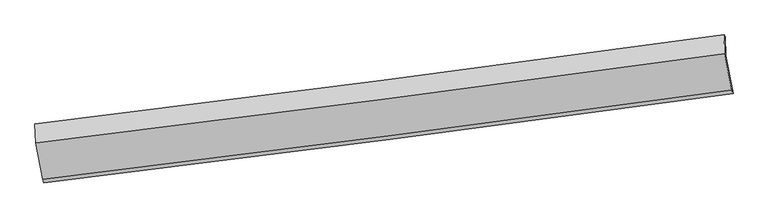
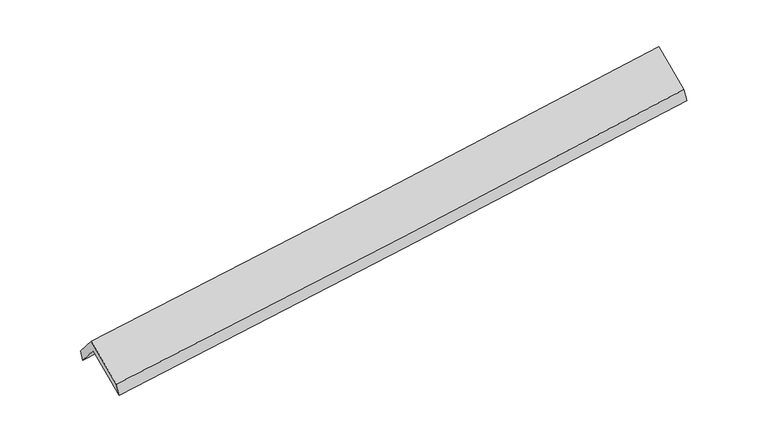
"""IFC4 building model written with IfcOpenShell, lengths in millimetres: proxy geometry."""

from ifc_helpers import new_model, si_unit, frame, origin, place, context, project, spatial, source, transform, mapped, element, save
from ifc_brep_helpers import plane_surface, spline_curve, spline_surface, advanced_brep


def generic_models_9a69a508(model_context):
    return source(origin(), model_context, "Body", "AdvancedBrep", [
        advanced_brep(
        [(-4744.9565777, -2186.1382355, 1769.3155847), (-4755.1188648, -1927.3102367, 1461.3969624), (4664.6802719, -703.8398961, 2205.0650812), (4674.842559, -962.6678949, 2512.9837035), (-4768.9387339, -1903.4933223, 1604.2765568), (4650.8604028, -680.0229817, 2347.9446755), (-4758.8357235, -2160.8115759, 1910.3990879), (4660.9634131, -937.3412353, 2654.0672067), (-4662.2458583, -2662.5063254, 1485.500389), (4757.5532784, -1439.0359848, 2229.1685078), (-4644.9350633, -2705.6572191, 1329.3210654), (4774.8640734, -1482.1868785, 2072.9891841)],
        [
            (0, 1),
            (1, 2, spline_curve(3, [(-4755.1188648, -1927.3102367, 1461.3969624), (-3179.066730884, -1734.700851849, 1584.364489501), (-1603.840815383, -1536.135310018, 1707.99765011), (1536.082941278, -1128.244896721, 1955.894506765), (3100.790070916, -918.986992113, 2080.150719135), (4664.6802719, -703.8398961, 2205.0650812)], [4, 2, 4], [0.0, 15.67421387194529, 31.26006475734462])),
            (2, 3),
            (3, 0, spline_curve(3, [(4674.842559, -962.6678949, 2512.9837035), (3110.952358016, -1177.814990913, 2388.069341435), (1546.245228278, -1387.072895621, 2263.813129065), (-1593.678528383, -1794.963308918, 2015.91627241), (-3168.904443784, -1993.528850649, 1892.283111801), (-4744.9565777, -2186.1382355, 1769.3155847)], [4, 2, 4], [0.0, 15.58585088539933, 31.26006475734462])),
            (1, 4),
            (4, 5, spline_curve(3, [(-4768.9387339, -1903.4933223, 1604.2765568), (-3192.886599984, -1710.883937449, 1727.244083901), (-1617.660684583, -1512.318395618, 1850.87724451), (1522.263072078, -1104.427982321, 2098.774101165), (3086.970201816, -895.170077713, 2223.030313435), (4650.8604028, -680.0229817, 2347.9446755)], [4, 2, 4], [0.0, 15.674213871945305, 31.26006475734465])),
            (5, 2),
            (4, 6),
            (6, 7, spline_curve(3, [(-4758.8357235, -2160.8115759, 1910.3990879), (-3182.783589584, -1968.202191049, 2033.366615001), (-1607.557674183, -1769.636649218, 2156.99977561), (1532.366082478, -1361.746235921, 2404.896632265), (3097.073212116, -1152.488331313, 2529.152844635), (4660.9634131, -937.3412353, 2654.0672067)], [4, 2, 4], [0.0, 15.674213871945302, 31.260064757344644])),
            (7, 5),
            (6, 8),
            (8, 9, spline_curve(3, [(-4662.2458583, -2662.5063254, 1485.500389), (-3086.193724384, -2469.896940549, 1608.467916101), (-1510.967808883, -2271.331398718, 1732.10107681), (1628.955947778, -1863.440985421, 1979.997933465), (3193.663077416, -1654.183080813, 2104.254145735), (4757.5532784, -1439.0359848, 2229.1685078)], [4, 2, 4], [0.0, 15.674213871945295, 31.26006475734463])),
            (9, 7),
            (8, 10),
            (10, 11, spline_curve(3, [(-4644.9350633, -2705.6572191, 1329.3210654), (-3068.882929384, -2513.047834249, 1452.288592501), (-1493.657013883, -2314.482292518, 1575.92175311), (1646.266742778, -1906.591879221, 1823.818609765), (3210.973872416, -1697.333974513, 1948.074822035), (4774.8640734, -1482.1868785, 2072.9891841)], [4, 2, 4], [0.0, 15.674213871945284, 31.260064757344608])),
            (11, 9),
            (10, 0),
            (3, 11),
        ],
        [
            spline_surface(3, 3, [[(-4744.9565777, -2186.1382355, 1769.3155847), (-3168.904443811, -1993.528850786, 1892.2831118), (-1593.678528177, -1794.963308745, 2015.91627236), (1546.245228073, -1387.072895793, 2263.813129114), (3110.952358018, -1177.814990976, 2388.069341504), (4674.842559, -962.6678949, 2512.9837035)], [(-4748.34400672, -2099.862235884, 1666.676043927), (-3172.29187283, -1907.25285117, 1789.643571027), (-1597.065957196, -1708.687309129, 1913.276731587), (1542.857799054, -1300.796896177, 2161.173588341), (3107.564928998, -1091.53899136, 2285.429800731), (4671.45512998, -876.391895284, 2410.344162727)], [(-4751.73143578, -2013.586236316, 1564.036503173), (-3175.679301891, -1820.976851602, 1687.004030272), (-1600.453386157, -1622.411309461, 1810.637190833), (1539.470370093, -1214.520896509, 2058.534047587), (3104.177499938, -1005.262991792, 2182.790259977), (4668.06770092, -790.115895716, 2307.704621973)], [(-4755.1188648, -1927.3102367, 1461.3969624), (-3179.066730911, -1734.700851986, 1584.3644895), (-1603.840815177, -1536.135309845, 1707.99765006), (1536.082941073, -1128.244896893, 1955.894506814), (3100.790070918, -918.986992176, 2080.150719204), (4664.6802719, -703.8398961, 2205.0650812)]], [4, 4], [4, 2, 4], [0.0, 1.3201419868546536], [0.0, 15.67421387194529, 31.26006475734462]),
            spline_surface(3, 3, [[(-4755.1188648, -1927.3102367, 1461.3969624), (-3179.066730911, -1734.700851986, 1584.3644895), (-1603.840815177, -1536.135309845, 1707.99765006), (1536.082941073, -1128.244896893, 1955.894506814), (3100.790070918, -918.986992176, 2080.150719204), (4664.6802719, -703.8398961, 2205.0650812)], [(-4759.725487852, -1919.37126524, 1509.023493854), (-3183.673353962, -1726.761880526, 1631.991020953), (-1608.447438228, -1528.196338385, 1755.624181514), (1531.476318022, -1120.305925433, 2003.521038268), (3096.183447867, -911.048020715, 2127.777250658), (4660.073648848, -695.90092464, 2252.691612654)], [(-4764.332110848, -1911.43229376, 1556.650025346), (-3188.279976959, -1718.822909047, 1679.617552446), (-1613.054061325, -1520.257366905, 1803.250713007), (1526.869694925, -1112.366953953, 2051.147569761), (3091.57682487, -903.109049236, 2175.403782051), (4655.467025852, -687.96195316, 2300.318144046)], [(-4768.9387339, -1903.4933223, 1604.2765568), (-3192.886600011, -1710.883937586, 1727.2440839), (-1617.660684377, -1512.318395445, 1850.87724446), (1522.263071873, -1104.427982493, 2098.774101214), (3086.970201818, -895.170077776, 2223.030313504), (4650.8604028, -680.0229817, 2347.9446755)]], [4, 4], [4, 2, 4], [0.0, 0.4773910964226978], [0.0, 15.674213871945305, 31.26006475734465]),
            spline_surface(3, 3, [[(-4768.9387339, -1903.4933223, 1604.2765568), (-3192.886600011, -1710.883937586, 1727.2440839), (-1617.660684377, -1512.318395445, 1850.87724446), (1522.263071873, -1104.427982493, 2098.774101214), (3086.970201818, -895.170077776, 2223.030313504), (4650.8604028, -680.0229817, 2347.9446755)], [(-4765.571063774, -1989.266073498, 1706.317400522), (-3189.518929884, -1796.656688784, 1829.284927622), (-1614.293014251, -1598.091146643, 1952.918088182), (1525.630742, -1190.200733691, 2200.814944936), (3090.337871944, -980.942828974, 2325.071157227), (4654.228072926, -765.795732898, 2449.985519222)], [(-4762.203393626, -2075.038824702, 1808.358244178), (-3186.151259737, -1882.429439988, 1931.325771277), (-1610.925344103, -1683.863897847, 2054.958931838), (1528.998412147, -1275.973484895, 2302.855788592), (3093.705541992, -1066.715580178, 2427.112000982), (4657.595742974, -851.568484102, 2552.026362978)], [(-4758.8357235, -2160.8115759, 1910.3990879), (-3182.783589611, -1968.202191186, 2033.366615), (-1607.557673977, -1769.636649045, 2156.99977556), (1532.366082273, -1361.746236093, 2404.896632314), (3097.073212118, -1152.488331376, 2529.152844704), (4660.9634131, -937.3412353, 2654.0672067)]], [4, 4], [4, 2, 4], [0.0, 1.3124415908076759], [0.0, 15.674213871945302, 31.260064757344644]),
            spline_surface(3, 3, [[(-4758.8357235, -2160.8115759, 1910.3990879), (-3182.783589611, -1968.202191186, 2033.366615), (-1607.557673977, -1769.636649045, 2156.99977556), (1532.366082273, -1361.746236093, 2404.896632314), (3097.073212118, -1152.488331376, 2529.152844704), (4660.9634131, -937.3412353, 2654.0672067)], [(-4726.639101746, -2328.043159064, 1768.766188276), (-3150.586967856, -2135.43377435, 1891.733715376), (-1575.361052222, -1936.868232209, 2015.366875937), (1564.562704028, -1528.977819257, 2263.263732691), (3129.269833872, -1319.719914539, 2387.519945081), (4693.160034854, -1104.572818464, 2512.434307076)], [(-4694.442480054, -2495.274742236, 1627.133288624), (-3118.390346165, -2302.665357523, 1750.100815723), (-1543.164430431, -2104.099815381, 1873.733976384), (1596.759325819, -1696.209402429, 2121.630833138), (3161.466455664, -1486.951497712, 2245.887045428), (4725.356656646, -1271.804401636, 2370.801407424)], [(-4662.2458583, -2662.5063254, 1485.500389), (-3086.193724411, -2469.896940686, 1608.4679161), (-1510.967808677, -2271.331398545, 1732.10107676), (1628.955947573, -1863.440985593, 1979.997933514), (3193.663077418, -1654.183080876, 2104.254145804), (4757.5532784, -1439.0359848, 2229.1685078)]], [4, 4], [4, 2, 4], [0.0, 2.1801326210307144], [0.0, 15.674213871945295, 31.26006475734463]),
            spline_surface(3, 3, [[(-4662.2458583, -2662.5063254, 1485.500389), (-3086.193724411, -2469.896940686, 1608.4679161), (-1510.967808677, -2271.331398545, 1732.10107676), (1628.955947573, -1863.440985593, 1979.997933514), (3193.663077418, -1654.183080876, 2104.254145804), (4757.5532784, -1439.0359848, 2229.1685078)], [(-4656.475593298, -2676.889956646, 1433.440614434), (-3080.423459409, -2484.280571932, 1556.408141533), (-1505.197543675, -2285.715029791, 1680.041302194), (1634.726212575, -1877.824616839, 1927.938158948), (3199.43334242, -1668.566712122, 2052.194371238), (4763.323543402, -1453.419616046, 2177.108733234)], [(-4650.705328302, -2691.273587854, 1381.380839966), (-3074.653194412, -2498.66420314, 1504.348367066), (-1499.427278678, -2300.098661099, 1627.981527626), (1640.496477572, -1892.208248147, 1875.87838438), (3205.203607416, -1682.95034333, 2000.13459667), (4769.093808398, -1467.803247254, 2125.048958666)], [(-4644.9350633, -2705.6572191, 1329.3210654), (-3068.882929411, -2513.047834386, 1452.2885925), (-1493.657013677, -2314.482292345, 1575.92175306), (1646.266742573, -1906.591879393, 1823.818609814), (3210.973872418, -1697.333974576, 1948.074822104), (4774.8640734, -1482.1868785, 2072.9891841)]], [4, 4], [4, 2, 4], [0.0, 0.5346223429791416], [0.0, 15.674213871945284, 31.260064757344608]),
            spline_surface(3, 3, [[(-4644.9350633, -2705.6572191, 1329.3210654), (-3068.882929411, -2513.047834386, 1452.2885925), (-1493.657013677, -2314.482292345, 1575.92175306), (1646.266742573, -1906.591879393, 1823.818609814), (3210.973872418, -1697.333974576, 1948.074822104), (4774.8640734, -1482.1868785, 2072.9891841)], [(-4678.275568111, -2532.484224568, 1475.985905187), (-3102.223434221, -2339.874839855, 1598.953432286), (-1526.997518487, -2141.309297813, 1722.586592847), (1612.926237763, -1733.418884861, 1970.483449601), (3177.633367607, -1524.160980044, 2094.739661891), (4741.523568589, -1309.013883968, 2219.654023887)], [(-4711.616072889, -2359.311230032, 1622.650744913), (-3135.563939, -2166.701845318, 1745.618272013), (-1560.338023366, -1968.136303276, 1869.251432573), (1579.585732884, -1560.245890324, 2117.148289327), (3144.292862829, -1350.987985507, 2241.404501718), (4708.183063811, -1135.840889432, 2366.318863713)], [(-4744.9565777, -2186.1382355, 1769.3155847), (-3168.904443811, -1993.528850786, 1892.2831118), (-1593.678528177, -1794.963308745, 2015.91627236), (1546.245228073, -1387.072895793, 2263.813129114), (3110.952358018, -1177.814990976, 2388.069341504), (4674.842559, -962.6678949, 2512.9837035)]], [4, 4], [4, 2, 4], [0.0, 2.257588472927939], [0.0, 15.674213871945277, 31.260064757344594]),
            plane_surface(frame((4697.2939998, -1034.1824785, 2337.0363931), z_axis=(0.9890569868182444, 0.1273820139617489, 0.07443184362263215), x_axis=(0.10623189923341322, -0.2648059430003457, -0.9584323638822719))),
            plane_surface(frame((-4722.5051369, -2257.6528191, 1593.3682744), z_axis=(-0.9890569868182474, -0.12738201396168186, -0.07443184362270841), x_axis=(0.14535624133655833, -0.7549908355904409, -0.639421927430516))),
        ],
        [
            (0, [[1, 2, 3, 4]]),
            (1, [[5, 6, 7, -2]]),
            (2, [[8, 9, 10, -6]]),
            (3, [[11, 12, 13, -9]]),
            (4, [[14, 15, 16, -12]]),
            (5, [[17, -4, 18, -15]]),
            (6, [[-16, -18, -3, -7, -10, -13]]),
            (7, [[-17, -14, -11, -8, -5, -1]]),
        ],
    ),
    ])


if __name__ == "__main__":
    model = new_model("IFC4")
    model_context = context("Model", 3, world=origin())
    ifc_project = project(units=[si_unit("LENGTHUNIT", "METRE", prefix="MILLI")], contexts=[model_context])
    site = spatial("IfcSite", under=ifc_project)
    building = spatial("IfcBuilding", under=site)
    placement = place(None, origin())
    generic_models_shape = generic_models_9a69a508(model_context)
    element("IfcBuildingElementProxy", 1, Name="Generic Models", at=placement, inside=building, context=model_context, shape_type="MappedRepresentation", body=[
        mapped(generic_models_shape, transform((0.0, 0.0, 0.0), x_axis=(1.0, 0.0, 0.0), y_axis=(0.0, 1.0, 0.0), z_axis=(0.0, 0.0, 1.0))),
    ])
    save(model, "model.ifc")
